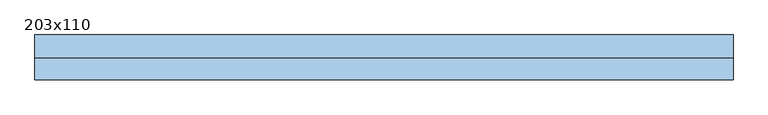
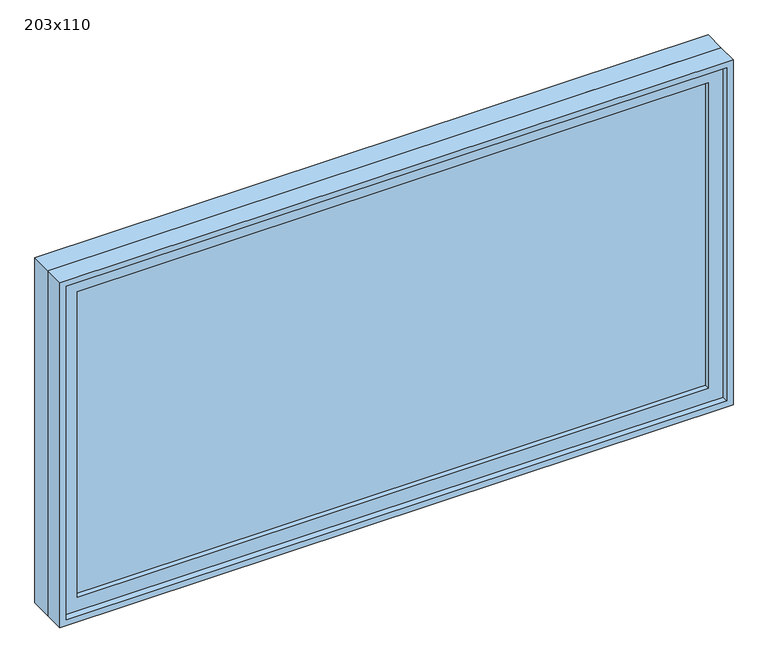
"""IFC4 building model written with IfcOpenShell, lengths in millimetres: window geometry, 203x110."""

from ifc_helpers import new_model, si_unit, frame, origin, place, context, project, spatial, polyline, outline, extrude, source, transform, mapped, element, save


def window_203x110_b2535372(model_context):
    return source(origin(), model_context, "Body", "SweptSolid", [
        extrude(outline(polyline([(913.4, -17.375), (913.4, -30.075), (-989.6, -30.075), (-989.6, -17.375), (913.4, -17.375)])), frame((0.0, 0.0, 977.9), z_axis=(0.0, 0.0, 1.0), x_axis=(1.0, 0.0, 0.0)), (0.0, 0.0, 1.0), 973.0),
        extrude(outline(polyline([(1995.35, -1034.05), (933.45, -1034.05), (933.45, 957.85), (1995.35, 957.85), (1995.35, -1034.05)]), holes=[polyline([(1950.9, -989.6), (1950.9, 913.4), (977.9, 913.4), (977.9, -989.6), (1950.9, -989.6)])]), frame((0.0, -45.95, 0.0), z_axis=(0.0, 1.0, 0.0), x_axis=(0.0, 0.0, 1.0)), (0.0, 0.0, 1.0), 44.45),
        extrude(outline(polyline([(2014.4, -1053.1), (914.4, -1053.1), (914.4, 976.9), (2014.4, 976.9), (2014.4, -1053.1)]), holes=[polyline([(1982.65, -1021.35), (1982.65, 945.15), (946.15, 945.15), (946.15, -1021.35), (1982.65, -1021.35)])]), frame((0.0, -1.5, 0.0), z_axis=(0.0, 1.0, 0.0), x_axis=(0.0, 0.0, 1.0)), (0.0, 0.0, 1.0), 66.5),
        extrude(outline(polyline([(2014.4, 976.9), (2014.4, -1053.1), (914.4, -1053.1), (914.4, 976.9), (2014.4, 976.9)]), holes=[polyline([(1995.35, 957.85), (933.45, 957.85), (933.45, -1034.05), (1995.35, -1034.05), (1995.35, 957.85)])]), frame((0.0, -65.0, 0.0), z_axis=(0.0, 1.0, 0.0), x_axis=(0.0, 0.0, 1.0)), (0.0, 0.0, 1.0), 63.5),
    ])


if __name__ == "__main__":
    model = new_model("IFC4")
    model_context = context("Model", 3, world=origin())
    ifc_project = project(units=[si_unit("LENGTHUNIT", "METRE", prefix="MILLI")], contexts=[model_context])
    site = spatial("IfcSite", under=ifc_project)
    building = spatial("IfcBuilding", under=site)
    placement = place(None, origin())
    window_203x110_shape = window_203x110_b2535372(model_context)
    element("IfcWindow", 1, ObjectType="203x110", at=placement, inside=building, context=model_context, shape_type="MappedRepresentation", body=[
        mapped(window_203x110_shape, transform((0.0, 0.0, 0.0), x_axis=(1.0, 0.0, 0.0), y_axis=(0.0, 1.0, 0.0), z_axis=(0.0, 0.0, 1.0))),
    ])
    save(model, "model.ifc")
